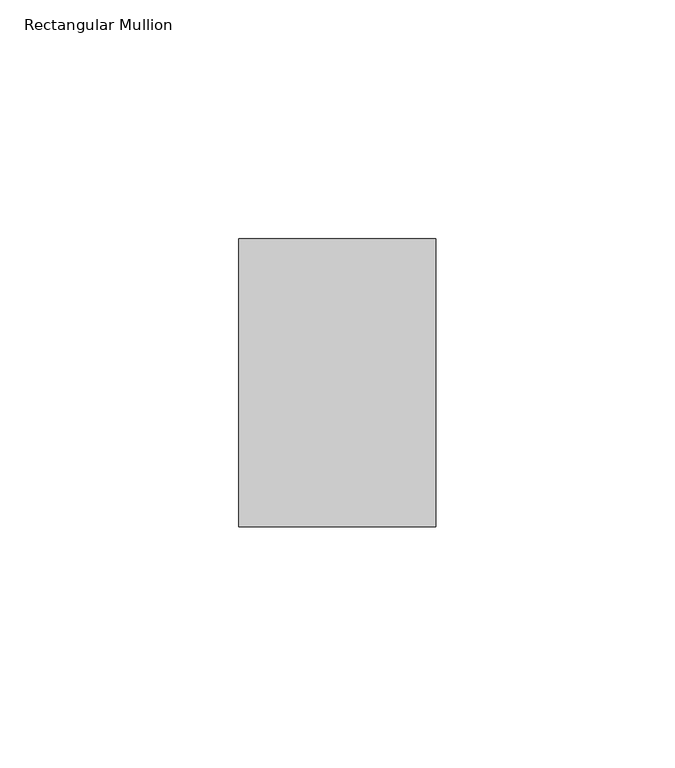
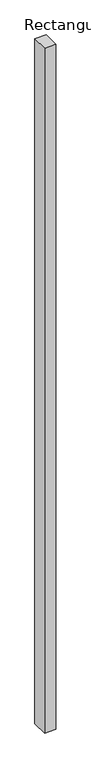
"""IFC4 building model written with IfcOpenShell, lengths in millimetres: member geometry, Rectangular Mullion."""

from ifc_helpers import new_model, si_unit, frame, origin, place, context, project, spatial, polyline, outline, extrude, source, transform, mapped, element, save


def rectangular_mullion_c31e476c(model_context):
    return source(origin(), model_context, "Body", "SweptSolid", [
        extrude(outline(polyline([(0.0, 50.8), (0.0, -9.525), (-41.275, -9.525), (-41.275, 50.8), (0.0, 50.8)])), frame((0.0, 0.0, -2625.725), z_axis=(0.0, 0.0, 1.0), x_axis=(1.0, 0.0, 0.0)), (0.0, 0.0, 1.0), 2625.725),
    ])


if __name__ == "__main__":
    model = new_model("IFC4")
    model_context = context("Model", 3, world=origin())
    ifc_project = project(units=[si_unit("LENGTHUNIT", "METRE", prefix="MILLI")], contexts=[model_context])
    site = spatial("IfcSite", under=ifc_project)
    building = spatial("IfcBuilding", under=site)
    placement = place(None, origin())
    rectangular_mullion_shape = rectangular_mullion_c31e476c(model_context)
    element("IfcMember", 1, ObjectType="Rectangular Mullion", at=placement, inside=building, context=model_context, shape_type="MappedRepresentation", body=[
        mapped(rectangular_mullion_shape, transform((0.0, 0.0, 0.0), x_axis=(1.0, 0.0, 0.0), y_axis=(0.0, 1.0, 0.0), z_axis=(0.0, 0.0, 1.0))),
    ])
    save(model, "model.ifc")
